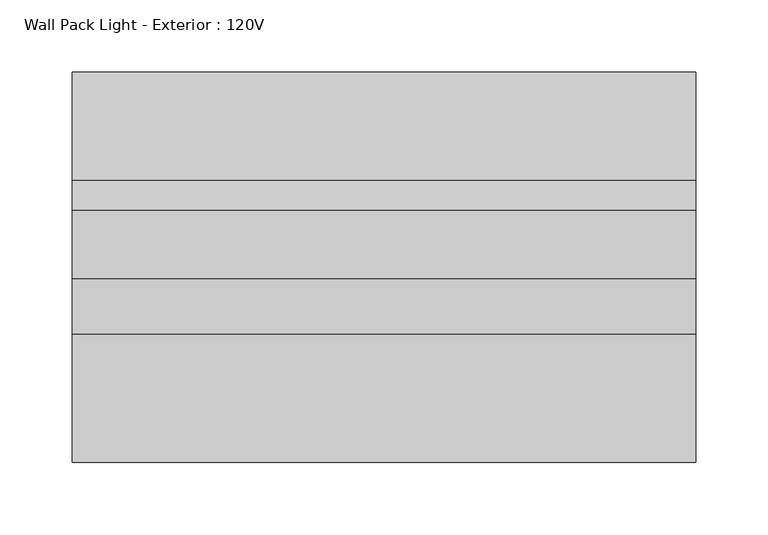
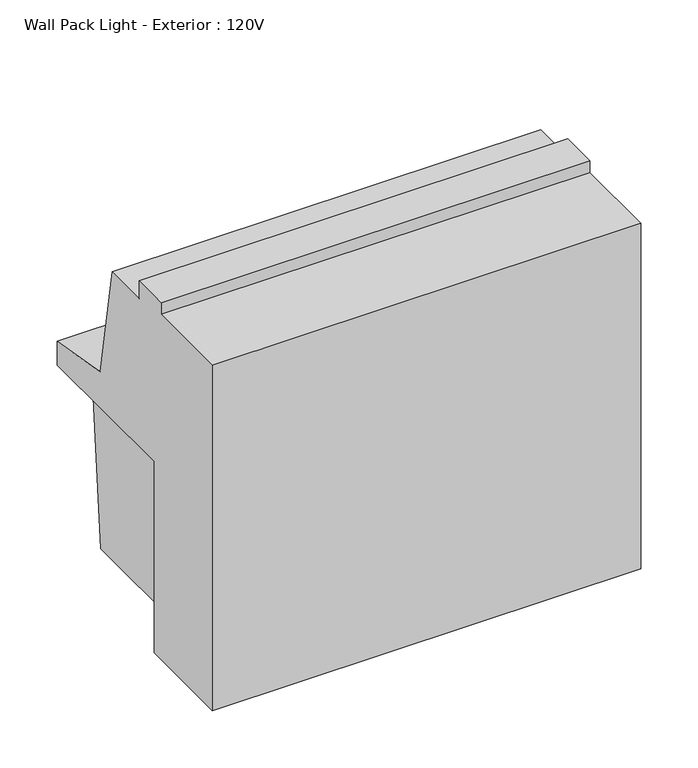
"""IFC4 building model written with IfcOpenShell, lengths in millimetres: light fixture geometry, Wall Pack Light - Exterior : 120V."""

from ifc_helpers import new_model, si_unit, frame, origin, place, context, project, spatial, polyline, outline, extrude, source, transform, mapped, element, save


def wall_pack_light_exterior_120v_f092df7e(model_context):
    return source(origin(), model_context, "Body", "SweptSolid", [
        extrude(outline(polyline([(374.820745, 2350.75), (237.6, 2350.75), (237.6, 2534.9), (389.9170754, 2534.9), (374.820745, 2350.75)])), frame((-68.7349223, 0.0, 0.0), z_axis=(1.0, 0.0, 0.0), x_axis=(0.0, 1.0, 0.0)), (0.0, 0.0, 1.0), 380.9989788),
        extrude(outline(polyline([(224.9, 2712.7), (263.0, 2712.7), (263.0, 2693.65), (310.440971, 2693.65), (331.4426549, 2574.5435323), (406.4850056, 2561.3115412), (406.4850056, 2535.9115412), (237.6, 2535.9115412), (237.6, 2331.7), (136.0, 2331.7), (136.0, 2700.0), (224.9, 2700.0), (224.9, 2712.7)])), frame((-94.1359435, 0.0, 0.0), z_axis=(1.0, 0.0, 0.0), x_axis=(0.0, 1.0, 0.0)), (0.0, 0.0, 1.0), 431.8),
    ])


if __name__ == "__main__":
    model = new_model("IFC4")
    model_context = context("Model", 3, world=origin())
    ifc_project = project(units=[si_unit("LENGTHUNIT", "METRE", prefix="MILLI")], contexts=[model_context])
    site = spatial("IfcSite", under=ifc_project)
    building = spatial("IfcBuilding", under=site)
    placement = place(None, origin())
    wall_pack_light_exterior_120v_shape = wall_pack_light_exterior_120v_f092df7e(model_context)
    element("IfcLightFixture", 1, ObjectType="Wall Pack Light - Exterior : 120V", at=placement, inside=building, context=model_context, shape_type="MappedRepresentation", body=[
        mapped(wall_pack_light_exterior_120v_shape, transform((0.0, 0.0, 0.0), x_axis=(1.0, 0.0, 0.0), y_axis=(0.0, 1.0, 0.0), z_axis=(0.0, 0.0, 1.0))),
    ])
    save(model, "model.ifc")
